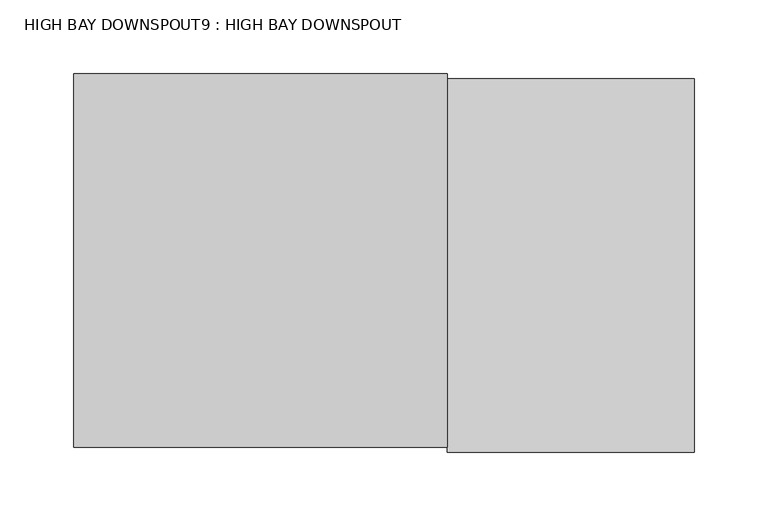
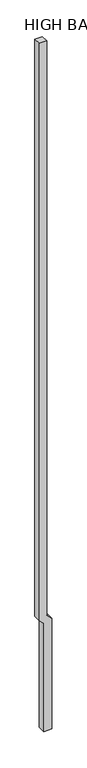
"""IFC4 building model written with IfcOpenShell, lengths in millimetres: proxy geometry, HIGH BAY DOWNSPOUT9 : HIGH BAY DOWNSPOUT."""

from ifc_helpers import new_model, si_unit, frame, origin, place, context, project, spatial, polyline, outline, extrude, source, transform, mapped, element, save


def high_bay_downspout9_high_bay_downspout_3137cf57(model_context):
    return source(origin(), model_context, "Body", "SweptSolid", [
        extrude(outline(polyline([(3810.0, 448356.4273809), (3657.6, 448508.8273809), (-203.2, 448508.8273809), (-203.2, 448778.7023809), (3746.9352448, 448778.7023809), (3915.2102448, 448610.4273809), (24405.8137487, 448610.4273809), (24405.8137487, 448356.4273809), (3810.0, 448356.4273809)])), frame((0.0, 2306.7132308, 0.0), z_axis=(0.0, 1.0, 0.0), x_axis=(0.0, 0.0, 1.0)), (0.0, 0.0, 1.0), 254.0),
    ])


if __name__ == "__main__":
    model = new_model("IFC4")
    model_context = context("Model", 3, world=origin())
    ifc_project = project(units=[si_unit("LENGTHUNIT", "METRE", prefix="MILLI")], contexts=[model_context])
    site = spatial("IfcSite", under=ifc_project)
    building = spatial("IfcBuilding", under=site)
    placement = place(None, origin())
    high_bay_downspout9_high_bay_downspout_shape = high_bay_downspout9_high_bay_downspout_3137cf57(model_context)
    element("IfcBuildingElementProxy", 1, Name="HIGH BAY DOWNSPOUT9 : HIGH BAY DOWNSPOUT", ObjectType="HIGH BAY DOWNSPOUT9 : HIGH BAY DOWNSPOUT", at=placement, inside=building, context=model_context, shape_type="MappedRepresentation", body=[
        mapped(high_bay_downspout9_high_bay_downspout_shape, transform((0.0, 0.0, 0.0), x_axis=(1.0, 0.0, 0.0), y_axis=(0.0, 1.0, 0.0), z_axis=(0.0, 0.0, 1.0))),
    ])
    save(model, "model.ifc")
